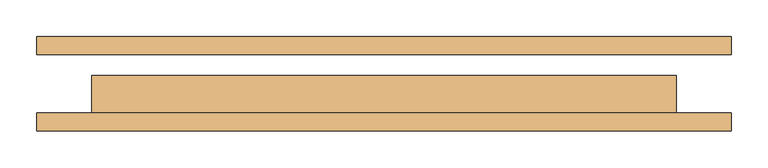
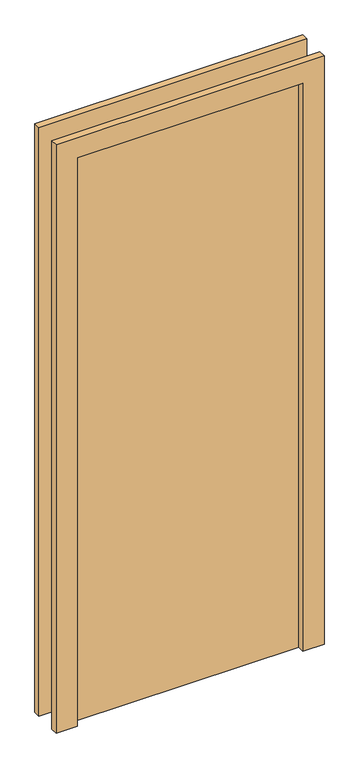
"""IFC4 building model written with IfcOpenShell, lengths in millimetres: door geometry."""

from ifc_helpers import new_model, si_unit, frame, origin, origin_with_axes, place, context, project, spatial, polyline, outline, extrude, source, transform, mapped, element, save


def door_4284dca1(model_context):
    return source(origin(), model_context, "Body", "SweptSolid", [
        extrude(outline(polyline([(2210.0, -476.0), (0.0, -476.0), (0.0, -400.0), (2134.0, -400.0), (2134.0, 400.0), (0.0, 400.0), (0.0, 476.0), (2210.0, 476.0), (2210.0, -476.0)])), frame((0.0, -65.0, 0.0), z_axis=(0.0, 1.0, 0.0), x_axis=(0.0, 0.0, 1.0)), (0.0, 0.0, 1.0), 25.0),
        extrude(outline(polyline([(2210.0, 476.0), (2210.0, -476.0), (0.0, -476.0), (0.0, -400.0), (2134.0, -400.0), (2134.0, 400.0), (0.0, 400.0), (0.0, 476.0), (2210.0, 476.0)])), frame((0.0, 40.0, 0.0), z_axis=(0.0, 1.0, 0.0), x_axis=(0.0, 0.0, 1.0)), (0.0, 0.0, 1.0), 25.0),
        extrude(outline(polyline([(400.0, 11.0), (400.0, -40.0), (-400.0, -40.0), (-400.0, 11.0), (400.0, 11.0)])), origin_with_axes(), (0.0, 0.0, 1.0), 2134.0),
    ])


if __name__ == "__main__":
    model = new_model("IFC4")
    model_context = context("Model", 3, world=origin())
    ifc_project = project(units=[si_unit("LENGTHUNIT", "METRE", prefix="MILLI")], contexts=[model_context])
    site = spatial("IfcSite", under=ifc_project)
    building = spatial("IfcBuilding", under=site)
    placement = place(None, origin())
    door_shape = door_4284dca1(model_context)
    element("IfcDoor", 1, at=placement, inside=building, context=model_context, shape_type="MappedRepresentation", body=[
        mapped(door_shape, transform((0.0, 0.0, 0.0), x_axis=(1.0, 0.0, 0.0), y_axis=(0.0, 1.0, 0.0), z_axis=(0.0, 0.0, 1.0))),
    ])
    save(model, "model.ifc")
